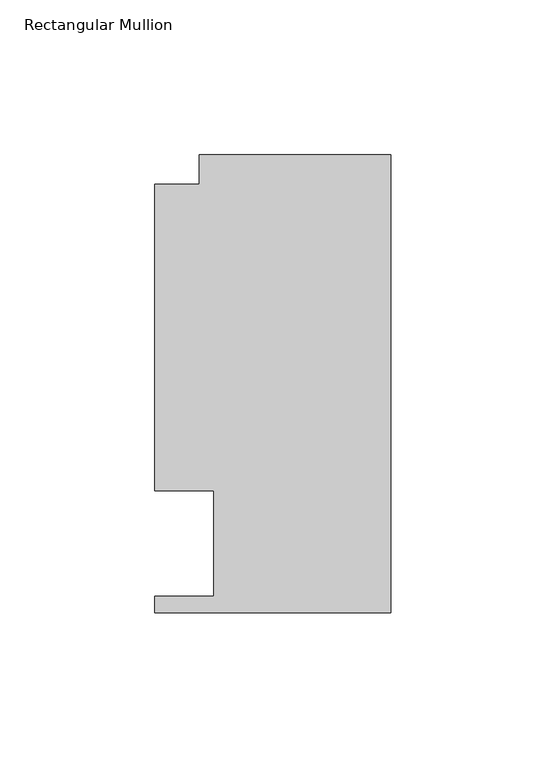
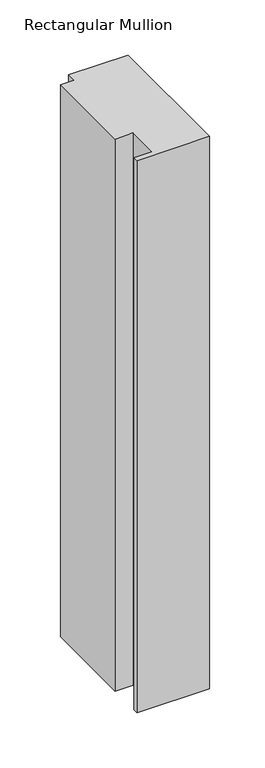
"""IFC4 building model written with IfcOpenShell, lengths in millimetres: member geometry, Rectangular Mullion."""

import ifcopenshell
import ifcopenshell.guid

model = None  # the IFC model being written
_history = None  # IfcOwnerHistory: only IFC2X3 demands one
_inside = {}  # id of a spatial element -> (the spatial element, [elements in it])
_under = {}  # id of a project, library or spatial element -> (it, [spatial elements below it])
_declared = {}  # id of a project -> (the project, [libraries it declares])
_typed = {}  # id of a type object -> (the type object, [elements of that type])
_made_of = {}  # id of a material, layer set ... -> (it, [elements and type objects made of it])


def new_model(schema):
    """Start an empty IFC model of exactly this schema.

    Asked for "IFC4X3", IfcOpenShell would pick the latest addendum, in which some entities
    have other attributes; the version numbers below select the first issue.
    IFC2X3 requires an IfcOwnerHistory on every rooted entity: one is made here for all.
    """
    global model, _history
    if schema == "IFC4X3":
        model = ifcopenshell.file(schema_version=(4, 3, 0, 0))
    else:
        model = ifcopenshell.file(schema=schema)
    _inside.clear()
    _under.clear()
    _declared.clear()
    _typed.clear()
    _made_of.clear()
    _history = None
    if model.schema == "IFC2X3":
        org = make("IfcOrganization", Name="unknown")
        user = make(
            "IfcPersonAndOrganization",
            ThePerson=make("IfcPerson", FamilyName="unknown"),
            TheOrganization=org,
        )
        app = make(
            "IfcApplication",
            ApplicationDeveloper=org,
            Version="unknown",
            ApplicationFullName="unknown",
            ApplicationIdentifier="unknown",
        )
        _history = make(
            "IfcOwnerHistory",
            OwningUser=user,
            OwningApplication=app,
            ChangeAction="ADDED",
            CreationDate=0,
        )
    return model


def make(cls, **values):
    """One entity of the class cls with the attributes given. An attribute that is None is left unset."""
    return model.create_entity(
        cls, **{name: value for name, value in values.items() if value is not None}
    )


def rooted(cls, **values):
    """An entity with a GlobalId (a new one), such as an element, a storey or a relation."""
    return make(cls, GlobalId=ifcopenshell.guid.new(), OwnerHistory=_history, **values)


def si_unit(unit_type, name, prefix=None):
    """IfcSIUnit, for example si_unit("LENGTHUNIT", "METRE", prefix="MILLI")."""
    return make("IfcSIUnit", UnitType=unit_type, Prefix=prefix, Name=name)


def assignment(units):
    """IfcUnitAssignment: the units of a project."""
    return None if units is None else make("IfcUnitAssignment", Units=units)


def point(xyz):
    """IfcCartesianPoint."""
    return None if xyz is None else make("IfcCartesianPoint", Coordinates=xyz)


def direction(xyz):
    """IfcDirection."""
    return None if xyz is None else make("IfcDirection", DirectionRatios=xyz)


def frame(location, z_axis=None, x_axis=None):
    """IfcAxis2Placement3D, a coordinate frame: its origin and axes. An axis left out is left unset."""
    return make(
        "IfcAxis2Placement3D",
        Location=point(location),
        Axis=direction(z_axis),
        RefDirection=direction(x_axis),
    )


def origin():
    """The frame at (0, 0, 0) with its axes left unset."""
    return frame((0.0, 0.0, 0.0))


def place(relative_to, where):
    """IfcLocalPlacement: puts the frame where relative to a parent placement (None: the world)."""
    return make(
        "IfcLocalPlacement", PlacementRelTo=relative_to, RelativePlacement=where
    )


def context(
    kind, dimensions, precision=None, world=None, true_north=None, identifier=None
):
    """IfcGeometricRepresentationContext, for example the 3D "Model" context."""
    return make(
        "IfcGeometricRepresentationContext",
        ContextIdentifier=identifier,
        ContextType=kind,
        CoordinateSpaceDimension=dimensions,
        Precision=precision,
        WorldCoordinateSystem=world,
        TrueNorth=true_north,
    )


def project(units=None, contexts=None):
    """IfcProject with its units and contexts."""
    return rooted(
        "IfcProject",
        Name="project",
        RepresentationContexts=contexts,
        UnitsInContext=assignment(units),
    )


def spatial(cls, under=None, at=None, **own):
    """A site, building, storey or space (cls), placed at a placement, below another one or the project."""
    s = rooted(cls, ObjectPlacement=at, **own)
    if under is not None:
        _under.setdefault(under.id(), (under, []))[1].append(s)
    return s


def polyline(points):
    """IfcPolyline through the points."""
    return make("IfcPolyline", Points=[point(p) for p in points])


def outline(outer, holes=None, kind="AREA"):
    """IfcArbitraryClosedProfileDef: a profile drawn as a closed curve; with holes, ...WithVoids."""
    if holes is None:
        return make("IfcArbitraryClosedProfileDef", ProfileType=kind, OuterCurve=outer)
    return make(
        "IfcArbitraryProfileDefWithVoids",
        ProfileType=kind,
        OuterCurve=outer,
        InnerCurves=holes,
    )


def extrude(swept, where, along, depth):
    """IfcExtrudedAreaSolid: the profile swept, set in the frame where, extruded along a direction by depth."""
    return make(
        "IfcExtrudedAreaSolid",
        SweptArea=swept,
        Position=where,
        ExtrudedDirection=direction(along),
        Depth=depth,
    )


def shape(context_of_items, identifier, shape_type, items):
    """IfcShapeRepresentation: the items that make up one representation, for example the "Body"."""
    return make(
        "IfcShapeRepresentation",
        ContextOfItems=context_of_items,
        RepresentationIdentifier=identifier,
        RepresentationType=shape_type,
        Items=items,
    )


def source(mapping_origin, context_of_items, identifier, shape_type, items):
    """IfcRepresentationMap: a shape defined once, which mapped items show again and again."""
    return make(
        "IfcRepresentationMap",
        MappingOrigin=mapping_origin,
        MappedRepresentation=shape(context_of_items, identifier, shape_type, items),
    )


def transform(
    local_origin,
    x_axis=None,
    y_axis=None,
    z_axis=None,
    scale=None,
    scale2=None,
    scale3=None,
    uniform=True,
):
    """IfcCartesianTransformationOperator3D, or its non-uniform kind. x_axis, y_axis, z_axis: its Axis1, 2, 3."""
    if uniform:
        return make(
            "IfcCartesianTransformationOperator3D",
            Axis1=direction(x_axis),
            Axis2=direction(y_axis),
            LocalOrigin=point(local_origin),
            Scale=scale,
            Axis3=direction(z_axis),
        )
    return make(
        "IfcCartesianTransformationOperator3DnonUniform",
        Axis1=direction(x_axis),
        Axis2=direction(y_axis),
        LocalOrigin=point(local_origin),
        Scale=scale,
        Axis3=direction(z_axis),
        Scale2=scale2,
        Scale3=scale3,
    )


def mapped(mapping_source, mapping_target):
    """IfcMappedItem: shows the shape of a source again, moved by a transform."""
    return make(
        "IfcMappedItem", MappingSource=mapping_source, MappingTarget=mapping_target
    )


def made_of(thing, what):
    """Note that an element or type object is made of a material, layer set ...; save() writes the relation."""
    if what is not None:
        _made_of.setdefault(what.id(), (what, []))[1].append(thing)
    return thing


def element(
    cls,
    number,
    at=None,
    inside=None,
    cuts=None,
    type_object=None,
    material=None,
    context=None,
    identifier="Body",
    shape_type=None,
    held_by="IfcProductDefinitionShape",
    body=None,
    shapes=None,
    **own,
):
    """One element of the class cls, such as IfcWall. Its Tag is "e" and its number.

    at: its placement. inside: the storey or other place that contains it. cuts: it is an
    opening in that element (IfcRelVoidsElement). A single representation is given by context,
    identifier, shape_type and body (its items); several are given by shapes. held_by: the class
    of the entity that holds the representations. save() writes the other relations.
    """
    e = rooted(cls, Tag="e%d" % number, ObjectPlacement=at, **own)
    if body is not None:
        shapes = [shape(context, identifier, shape_type, body)]
    if shapes is not None:
        e.Representation = make(held_by, Representations=shapes)
    if inside is not None:
        _inside.setdefault(inside.id(), (inside, []))[1].append(e)
    if cuts is not None:
        rooted(
            "IfcRelVoidsElement", RelatingBuildingElement=cuts, RelatedOpeningElement=e
        )
    if type_object is not None:
        _typed.setdefault(type_object.id(), (type_object, []))[1].append(e)
    return made_of(e, material)


def aggregate(whole, parts):
    """IfcRelAggregates: a whole, such as a stair, and the parts it consists of."""
    return rooted("IfcRelAggregates", RelatingObject=whole, RelatedObjects=parts)


def save(model, path):
    """Write the relations noted so far, then the file.

    IfcRelAggregates (storeys below a building ...), IfcRelContainedInSpatialStructure (elements
    in a storey), IfcRelDefinesByType, IfcRelAssociatesMaterial and IfcRelDeclares: one each for
    every whole, place, type object, material and project.
    """
    for whole, parts in _under.values():
        aggregate(whole, parts)
    for where, things in _inside.values():
        rooted(
            "IfcRelContainedInSpatialStructure",
            RelatedElements=things,
            RelatingStructure=where,
        )
    for kind, things in _typed.values():
        rooted("IfcRelDefinesByType", RelatedObjects=things, RelatingType=kind)
    for what, things in _made_of.values():
        rooted("IfcRelAssociatesMaterial", RelatedObjects=things, RelatingMaterial=what)
    for by, libraries in _declared.values():
        rooted("IfcRelDeclares", RelatingContext=by, RelatedDefinitions=libraries)
    model.write(path)


def rectangular_mullion_6ded6426(model_context):
    return source(origin(), model_context, "Body", "SweptSolid", [
        extrude(outline(polyline([(-61.9124999, 147.847839), (0.0, 147.847839), (0.0, 0.019839), (-76.2, 0.019839), (-76.2, 5.353839), (-57.1499999, 5.353839), (-57.1499999, 39.3898438), (-76.1999999, 39.3898438), (-76.1999999, 138.322839), (-61.9124999, 138.322839), (-61.9124999, 147.847839)])), frame((0.0, 0.0, -609.6), z_axis=(0.0, 0.0, 1.0), x_axis=(1.0, 0.0, 0.0)), (0.0, 0.0, 1.0), 609.6),
    ])


if __name__ == "__main__":
    model = new_model("IFC4")
    model_context = context("Model", 3, world=origin())
    ifc_project = project(units=[si_unit("LENGTHUNIT", "METRE", prefix="MILLI")], contexts=[model_context])
    site = spatial("IfcSite", under=ifc_project)
    building = spatial("IfcBuilding", under=site)
    placement = place(None, origin())
    rectangular_mullion_shape = rectangular_mullion_6ded6426(model_context)
    element("IfcMember", 1, ObjectType="Rectangular Mullion", at=placement, inside=building, context=model_context, shape_type="MappedRepresentation", body=[
        mapped(rectangular_mullion_shape, transform((0.0, 0.0, 0.0), x_axis=(1.0, 0.0, 0.0), y_axis=(0.0, 1.0, 0.0), z_axis=(0.0, 0.0, 1.0))),
    ])
    save(model, "model.ifc")
